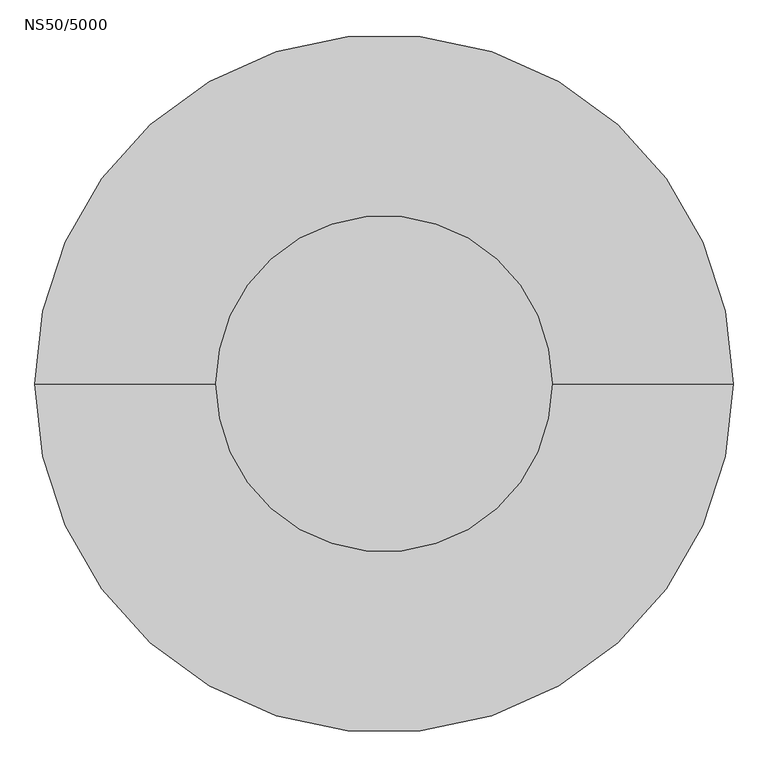
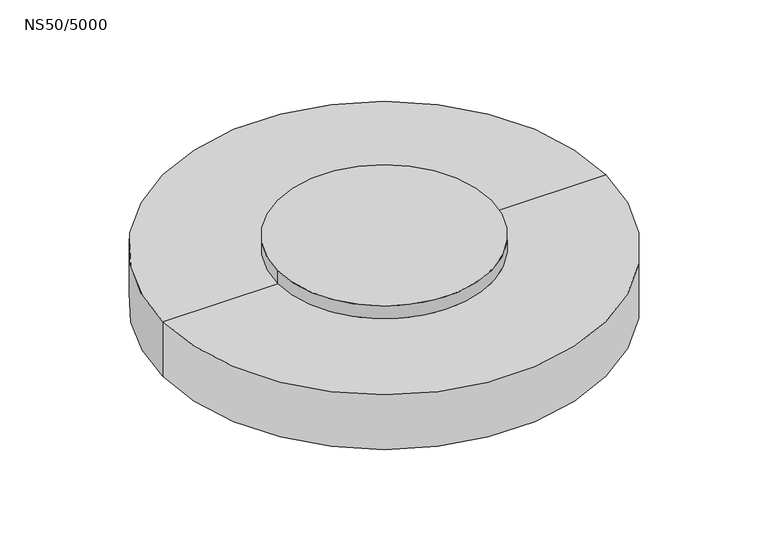
"""IFC4 building model written with IfcOpenShell, lengths in millimetres: proxy geometry, NS50/5000."""

from ifc_helpers import new_model, si_unit, frame, origin, place, context, project, spatial, polyline, circle_curve, source, transform, mapped, element, save
from ifc_brep_helpers import plane_surface, cylinder_surface, revolved_surface, advanced_brep


def ns50_5000_a732bc66(model_context):
    return source(origin(), model_context, "Body", "AdvancedBrep", [
        advanced_brep(
        [(1225.0, 0.0, -2350.1822102), (-1225.0, 0.0, -2350.1822102), (-590.0, 0.0, -2350.1822102), (590.0, 0.0, -2350.1822102), (1225.0, 0.0, -2670.1822102), (-1225.0, 0.0, -2670.1822102), (1165.0, 0.0, -2670.1822102), (-1165.0, 0.0, -2670.1822102), (1165.0, 0.0, -2590.1822102), (-1165.0, 0.0, -2590.1822102), (0.0, 0.0, -2590.1822102), (-590.0, 0.0, -2275.0), (590.0, 0.0, -2275.0)],
        [
            (0, 1, circle_curve(frame((0.0, 0.0, -2350.1822102), z_axis=(0.0, 0.0, 1.0), x_axis=(-1.0, 0.0, 0.0)), 1225.0)),
            (1, 2),
            (2, 3, circle_curve(frame((0.0, 0.0, -2350.1822102), z_axis=(0.0, 0.0, -1.0), x_axis=(1.0, 0.0, 0.0)), 590.0)),
            (3, 0),
            (1, 0, circle_curve(frame((0.0, 0.0, -2350.1822102), z_axis=(0.0, 0.0, 1.0), x_axis=(-1.0, 0.0, 0.0)), 1225.0)),
            (3, 2, circle_curve(frame((0.0, 0.0, -2350.1822102), z_axis=(0.0, 0.0, -1.0), x_axis=(1.0, 0.0, 0.0)), 590.0)),
            (0, 4),
            (4, 5, circle_curve(frame((0.0, 0.0, -2670.1822102), z_axis=(0.0, 0.0, 1.0), x_axis=(-1.0, 0.0, 0.0)), 1225.0)),
            (5, 1),
            (5, 4, circle_curve(frame((0.0, 0.0, -2670.1822102), z_axis=(0.0, 0.0, 1.0), x_axis=(-1.0, 0.0, 0.0)), 1225.0)),
            (4, 6),
            (6, 7, circle_curve(frame((0.0, 0.0, -2670.1822102), z_axis=(0.0, 0.0, 1.0), x_axis=(-1.0, 0.0, 0.0)), 1165.0)),
            (7, 5),
            (7, 6, circle_curve(frame((0.0, 0.0, -2670.1822102), z_axis=(0.0, 0.0, 1.0), x_axis=(-1.0, 0.0, 0.0)), 1165.0)),
            (6, 8),
            (8, 9, circle_curve(frame((0.0, 0.0, -2590.1822102), z_axis=(0.0, 0.0, 1.0), x_axis=(-1.0, 0.0, 0.0)), 1165.0)),
            (9, 7),
            (9, 8, circle_curve(frame((0.0, 0.0, -2590.1822102), z_axis=(0.0, 0.0, 1.0), x_axis=(-1.0, 0.0, 0.0)), 1165.0)),
            (8, 10),
            (10, 9),
            (11, 12, circle_curve(frame((0.0, 0.0, -2275.0), z_axis=(0.0, 0.0, 1.0), x_axis=(1.0, 0.0, 0.0)), 590.0)),
            (12, 11, circle_curve(frame((0.0, 0.0, -2275.0), z_axis=(0.0, 0.0, 1.0), x_axis=(1.0, 0.0, 0.0)), 590.0)),
            (11, 2),
            (3, 12),
        ],
        [
            plane_surface(frame((0.0, 0.0, -2350.1822102), z_axis=(0.0, 0.0, 1.0), x_axis=(-1.0, 0.0, 0.0))),
            cylinder_surface(frame((0.0, 0.0, -2350.1822102), z_axis=(0.0, 0.0, -1.0), x_axis=(-1.0, 0.0, 0.0)), 1225.0),
            plane_surface(frame((0.0, 0.0, -2670.1822102), z_axis=(0.0, 0.0, -1.0), x_axis=(-1.0, 0.0, 0.0))),
            revolved_surface(polyline([(-1165.0, 0.0, -2670.1822102), (-1165.0, 0.0, -2590.1822102)]), (0.0, 0.0, -2350.1822102), (0.0, 0.0, -1.0)),
            plane_surface(frame((0.0, 0.0, -2590.1822102), z_axis=(0.0, 0.0, -1.0), x_axis=(-1.0, 0.0, 0.0))),
            plane_surface(frame((590.0, 0.0, -2275.0), z_axis=(0.0, 0.0, 1.0), x_axis=(0.0, 1.0, 0.0))),
            cylinder_surface(frame((0.0, 0.0, -2350.1822102), z_axis=(0.0, 0.0, 1.0), x_axis=(1.0, 0.0, 0.0)), 590.0),
        ],
        [
            (0, [[1, 2, 3, 4]]),
            (0, [[5, -4, 6, -2]]),
            (1, [[-1, 7, 8, 9]]),
            (1, [[-5, -9, 10, -7]]),
            (2, [[-8, 11, 12, 13]]),
            (2, [[-10, -13, 14, -11]]),
            (3, [[-12, 15, 16, 17]]),
            (3, [[-14, -17, 18, -15]]),
            (4, [[-16, 19, 20]]),
            (4, [[-18, -20, -19]]),
            (5, [[21, 22]]),
            (6, [[-21, 23, -6, 24]]),
            (6, [[-22, -24, -3, -23]]),
        ],
    ),
    ])


if __name__ == "__main__":
    model = new_model("IFC4")
    model_context = context("Model", 3, world=origin())
    ifc_project = project(units=[si_unit("LENGTHUNIT", "METRE", prefix="MILLI")], contexts=[model_context])
    site = spatial("IfcSite", under=ifc_project)
    building = spatial("IfcBuilding", under=site)
    placement = place(None, origin())
    ns50_5000_shape = ns50_5000_a732bc66(model_context)
    element("IfcBuildingElementProxy", 1, Name="NS50/5000", ObjectType="NS50/5000", at=placement, inside=building, context=model_context, shape_type="MappedRepresentation", body=[
        mapped(ns50_5000_shape, transform((0.0, 0.0, 0.0), x_axis=(1.0, 0.0, 0.0), y_axis=(0.0, 1.0, 0.0), z_axis=(0.0, 0.0, 1.0))),
    ])
    save(model, "model.ifc")
